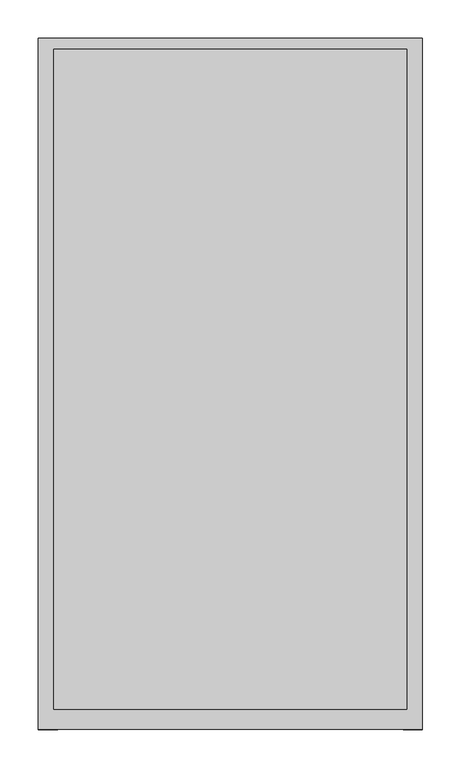
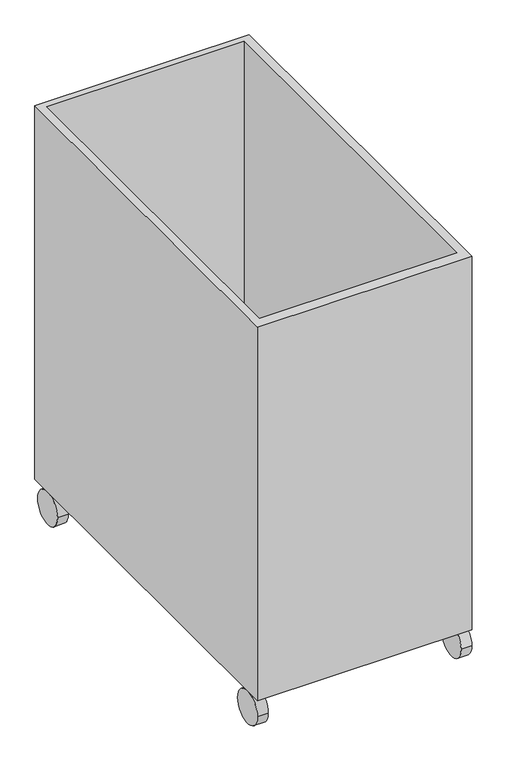
"""IFC4 building model written with IfcOpenShell, lengths in millimetres: proxy geometry."""

import ifcopenshell
import ifcopenshell.guid

model = None  # the IFC model being written
_history = None  # IfcOwnerHistory: only IFC2X3 demands one
_inside = {}  # id of a spatial element -> (the spatial element, [elements in it])
_under = {}  # id of a project, library or spatial element -> (it, [spatial elements below it])
_declared = {}  # id of a project -> (the project, [libraries it declares])
_typed = {}  # id of a type object -> (the type object, [elements of that type])
_made_of = {}  # id of a material, layer set ... -> (it, [elements and type objects made of it])


def new_model(schema):
    """Start an empty IFC model of exactly this schema.

    Asked for "IFC4X3", IfcOpenShell would pick the latest addendum, in which some entities
    have other attributes; the version numbers below select the first issue.
    IFC2X3 requires an IfcOwnerHistory on every rooted entity: one is made here for all.
    """
    global model, _history
    if schema == "IFC4X3":
        model = ifcopenshell.file(schema_version=(4, 3, 0, 0))
    else:
        model = ifcopenshell.file(schema=schema)
    _inside.clear()
    _under.clear()
    _declared.clear()
    _typed.clear()
    _made_of.clear()
    _history = None
    if model.schema == "IFC2X3":
        org = make("IfcOrganization", Name="unknown")
        user = make(
            "IfcPersonAndOrganization",
            ThePerson=make("IfcPerson", FamilyName="unknown"),
            TheOrganization=org,
        )
        app = make(
            "IfcApplication",
            ApplicationDeveloper=org,
            Version="unknown",
            ApplicationFullName="unknown",
            ApplicationIdentifier="unknown",
        )
        _history = make(
            "IfcOwnerHistory",
            OwningUser=user,
            OwningApplication=app,
            ChangeAction="ADDED",
            CreationDate=0,
        )
    return model


def make(cls, **values):
    """One entity of the class cls with the attributes given. An attribute that is None is left unset."""
    return model.create_entity(
        cls, **{name: value for name, value in values.items() if value is not None}
    )


def rooted(cls, **values):
    """An entity with a GlobalId (a new one), such as an element, a storey or a relation."""
    return make(cls, GlobalId=ifcopenshell.guid.new(), OwnerHistory=_history, **values)


def si_unit(unit_type, name, prefix=None):
    """IfcSIUnit, for example si_unit("LENGTHUNIT", "METRE", prefix="MILLI")."""
    return make("IfcSIUnit", UnitType=unit_type, Prefix=prefix, Name=name)


def assignment(units):
    """IfcUnitAssignment: the units of a project."""
    return None if units is None else make("IfcUnitAssignment", Units=units)


def point(xyz):
    """IfcCartesianPoint."""
    return None if xyz is None else make("IfcCartesianPoint", Coordinates=xyz)


def direction(xyz):
    """IfcDirection."""
    return None if xyz is None else make("IfcDirection", DirectionRatios=xyz)


def frame(location, z_axis=None, x_axis=None):
    """IfcAxis2Placement3D, a coordinate frame: its origin and axes. An axis left out is left unset."""
    return make(
        "IfcAxis2Placement3D",
        Location=point(location),
        Axis=direction(z_axis),
        RefDirection=direction(x_axis),
    )


def frame_2d(location, x_axis=None):
    """IfcAxis2Placement2D, a coordinate frame in the plane: its origin and x axis."""
    return make(
        "IfcAxis2Placement2D", Location=point(location), RefDirection=direction(x_axis)
    )


def origin():
    """The frame at (0, 0, 0) with its axes left unset."""
    return frame((0.0, 0.0, 0.0))


def place(relative_to, where):
    """IfcLocalPlacement: puts the frame where relative to a parent placement (None: the world)."""
    return make(
        "IfcLocalPlacement", PlacementRelTo=relative_to, RelativePlacement=where
    )


def context(
    kind, dimensions, precision=None, world=None, true_north=None, identifier=None
):
    """IfcGeometricRepresentationContext, for example the 3D "Model" context."""
    return make(
        "IfcGeometricRepresentationContext",
        ContextIdentifier=identifier,
        ContextType=kind,
        CoordinateSpaceDimension=dimensions,
        Precision=precision,
        WorldCoordinateSystem=world,
        TrueNorth=true_north,
    )


def project(units=None, contexts=None):
    """IfcProject with its units and contexts."""
    return rooted(
        "IfcProject",
        Name="project",
        RepresentationContexts=contexts,
        UnitsInContext=assignment(units),
    )


def spatial(cls, under=None, at=None, **own):
    """A site, building, storey or space (cls), placed at a placement, below another one or the project."""
    s = rooted(cls, ObjectPlacement=at, **own)
    if under is not None:
        _under.setdefault(under.id(), (under, []))[1].append(s)
    return s


def circle_curve(where, radius):
    """IfcCircle in the frame where."""
    return make("IfcCircle", Position=where, Radius=radius)


def trimmed(basis, trim1, trim2, sense, master):
    """IfcTrimmedCurve: the piece of a basis curve between two trims."""
    return make(
        "IfcTrimmedCurve",
        BasisCurve=basis,
        Trim1=trim1,
        Trim2=trim2,
        SenseAgreement=sense,
        MasterRepresentation=master,
    )


def segment(curve, same_sense, transition):
    """IfcCompositeCurveSegment."""
    return make(
        "IfcCompositeCurveSegment",
        Transition=transition,
        SameSense=same_sense,
        ParentCurve=curve,
    )


def composite_curve(segments, self_intersect=None):
    """IfcCompositeCurve: segments joined end to end."""
    return make("IfcCompositeCurve", Segments=segments, SelfIntersect=self_intersect)


def outline(outer, holes=None, kind="AREA"):
    """IfcArbitraryClosedProfileDef: a profile drawn as a closed curve; with holes, ...WithVoids."""
    if holes is None:
        return make("IfcArbitraryClosedProfileDef", ProfileType=kind, OuterCurve=outer)
    return make(
        "IfcArbitraryProfileDefWithVoids",
        ProfileType=kind,
        OuterCurve=outer,
        InnerCurves=holes,
    )


def extrude(swept, where, along, depth):
    """IfcExtrudedAreaSolid: the profile swept, set in the frame where, extruded along a direction by depth."""
    return make(
        "IfcExtrudedAreaSolid",
        SweptArea=swept,
        Position=where,
        ExtrudedDirection=direction(along),
        Depth=depth,
    )


def faces_of(points, faces, orient=None, outer=None):
    """IfcFace entities. A face is a list of loops; a loop is a list of indices into points, from 0.

    orient and outer hold one flag for each loop. By default every Orientation is true, the
    first loop of a face is its IfcFaceOuterBound and the others are IfcFaceBound.
    """
    made = []
    for i, loops in enumerate(faces):
        bounds = []
        for j, loop in enumerate(loops):
            is_outer = j == 0 if outer is None else outer[i][j]
            bounds.append(
                make(
                    "IfcFaceOuterBound" if is_outer else "IfcFaceBound",
                    Bound=make("IfcPolyLoop", Polygon=[points[k] for k in loop]),
                    Orientation=True if orient is None else orient[i][j],
                )
            )
        made.append(make("IfcFace", Bounds=bounds))
    return made


def faceted_brep(points, faces, orient=None, outer=None, voids=None):
    """IfcFacetedBrep: a solid bounded by flat faces; with voids (closed shells), ...WithVoids."""
    shared = [point(p) for p in points]
    hull = make("IfcClosedShell", CfsFaces=faces_of(shared, faces, orient, outer))
    if voids is None:
        return make("IfcFacetedBrep", Outer=hull)
    return make(
        "IfcFacetedBrepWithVoids",
        Outer=hull,
        Voids=[
            make(cls, CfsFaces=faces_of(shared, fs, o, b)) for cls, fs, o, b in voids
        ],
    )


def shape(context_of_items, identifier, shape_type, items):
    """IfcShapeRepresentation: the items that make up one representation, for example the "Body"."""
    return make(
        "IfcShapeRepresentation",
        ContextOfItems=context_of_items,
        RepresentationIdentifier=identifier,
        RepresentationType=shape_type,
        Items=items,
    )


def source(mapping_origin, context_of_items, identifier, shape_type, items):
    """IfcRepresentationMap: a shape defined once, which mapped items show again and again."""
    return make(
        "IfcRepresentationMap",
        MappingOrigin=mapping_origin,
        MappedRepresentation=shape(context_of_items, identifier, shape_type, items),
    )


def transform(
    local_origin,
    x_axis=None,
    y_axis=None,
    z_axis=None,
    scale=None,
    scale2=None,
    scale3=None,
    uniform=True,
):
    """IfcCartesianTransformationOperator3D, or its non-uniform kind. x_axis, y_axis, z_axis: its Axis1, 2, 3."""
    if uniform:
        return make(
            "IfcCartesianTransformationOperator3D",
            Axis1=direction(x_axis),
            Axis2=direction(y_axis),
            LocalOrigin=point(local_origin),
            Scale=scale,
            Axis3=direction(z_axis),
        )
    return make(
        "IfcCartesianTransformationOperator3DnonUniform",
        Axis1=direction(x_axis),
        Axis2=direction(y_axis),
        LocalOrigin=point(local_origin),
        Scale=scale,
        Axis3=direction(z_axis),
        Scale2=scale2,
        Scale3=scale3,
    )


def mapped(mapping_source, mapping_target):
    """IfcMappedItem: shows the shape of a source again, moved by a transform."""
    return make(
        "IfcMappedItem", MappingSource=mapping_source, MappingTarget=mapping_target
    )


def made_of(thing, what):
    """Note that an element or type object is made of a material, layer set ...; save() writes the relation."""
    if what is not None:
        _made_of.setdefault(what.id(), (what, []))[1].append(thing)
    return thing


def element(
    cls,
    number,
    at=None,
    inside=None,
    cuts=None,
    type_object=None,
    material=None,
    context=None,
    identifier="Body",
    shape_type=None,
    held_by="IfcProductDefinitionShape",
    body=None,
    shapes=None,
    **own,
):
    """One element of the class cls, such as IfcWall. Its Tag is "e" and its number.

    at: its placement. inside: the storey or other place that contains it. cuts: it is an
    opening in that element (IfcRelVoidsElement). A single representation is given by context,
    identifier, shape_type and body (its items); several are given by shapes. held_by: the class
    of the entity that holds the representations. save() writes the other relations.
    """
    e = rooted(cls, Tag="e%d" % number, ObjectPlacement=at, **own)
    if body is not None:
        shapes = [shape(context, identifier, shape_type, body)]
    if shapes is not None:
        e.Representation = make(held_by, Representations=shapes)
    if inside is not None:
        _inside.setdefault(inside.id(), (inside, []))[1].append(e)
    if cuts is not None:
        rooted(
            "IfcRelVoidsElement", RelatingBuildingElement=cuts, RelatedOpeningElement=e
        )
    if type_object is not None:
        _typed.setdefault(type_object.id(), (type_object, []))[1].append(e)
    return made_of(e, material)


def aggregate(whole, parts):
    """IfcRelAggregates: a whole, such as a stair, and the parts it consists of."""
    return rooted("IfcRelAggregates", RelatingObject=whole, RelatedObjects=parts)


def save(model, path):
    """Write the relations noted so far, then the file.

    IfcRelAggregates (storeys below a building ...), IfcRelContainedInSpatialStructure (elements
    in a storey), IfcRelDefinesByType, IfcRelAssociatesMaterial and IfcRelDeclares: one each for
    every whole, place, type object, material and project.
    """
    for whole, parts in _under.values():
        aggregate(whole, parts)
    for where, things in _inside.values():
        rooted(
            "IfcRelContainedInSpatialStructure",
            RelatedElements=things,
            RelatingStructure=where,
        )
    for kind, things in _typed.values():
        rooted("IfcRelDefinesByType", RelatedObjects=things, RelatingType=kind)
    for what, things in _made_of.values():
        rooted("IfcRelAssociatesMaterial", RelatedObjects=things, RelatingMaterial=what)
    for by, libraries in _declared.values():
        rooted("IfcRelDeclares", RelatingContext=by, RelatedDefinitions=libraries)
    model.write(path)


def specialty_equipment_c45f6385(model_context):
    return source(origin(), model_context, "Body", "SolidModel", [
        faceted_brep([(249.6560934, 453.9899214, 1000.0), (-250.3439066, 453.9899214, 1000.0), (-250.3439066, -446.0100786, 1000.0), (249.6560934, -446.0100786, 1000.0), (-230.3439066, 440.0586477, 1000.0), (229.6560934, 440.0586477, 1000.0), (229.6560934, -419.9413523, 1000.0), (-230.3439066, -419.9413523, 1000.0), (249.6560934, 453.9899214, 80.0), (249.6560934, -446.0100786, 80.0), (-250.3439066, -446.0100786, 80.0), (-250.3439066, 453.9899214, 80.0), (229.6560934, 440.0586477, 95.6880709), (-230.3439066, 440.0586477, 95.6880709), (-230.3439066, -419.9413523, 95.6880709), (229.6560934, -419.9413523, 95.6880709)], [[[0, 1, 2, 3], [4, 5, 6, 7]], [[8, 9, 10, 11]], [[1, 0, 8, 11]], [[2, 1, 11, 10]], [[3, 2, 10, 9]], [[0, 3, 9, 8]], [[12, 13, 14, 15]], [[13, 12, 5, 4]], [[14, 13, 4, 7]], [[15, 14, 7, 6]], [[12, 15, 6, 5]]]),
        extrude(outline(composite_curve([segment(trimmed(circle_curve(frame_2d((-406.0100786, 40.0)), 40.0), [point((-446.0100786, 40.0))], [point((-366.0100786, 40.0))], False, "CARTESIAN"), True, "CONTINUOUS"), segment(trimmed(circle_curve(frame_2d((-406.0100786, 40.0)), 40.0), [point((-366.0100786, 40.0))], [point((-446.0100786, 40.0))], False, "CARTESIAN"), True, "CONTINUOUS")], self_intersect=False)), frame((-250.3439066, 0.0, 0.0), z_axis=(1.0, 0.0, 0.0), x_axis=(0.0, 1.0, 0.0)), (0.0, 0.0, 1.0), 24.9110593),
        extrude(outline(composite_curve([segment(trimmed(circle_curve(frame_2d((402.6544042, 40.0)), 40.0), [point((362.6544042, 40.0))], [point((442.6544042, 40.0))], False, "CARTESIAN"), True, "CONTINUOUS"), segment(trimmed(circle_curve(frame_2d((402.6544042, 40.0)), 40.0), [point((442.6544042, 40.0))], [point((362.6544042, 40.0))], False, "CARTESIAN"), True, "CONTINUOUS")], self_intersect=False)), frame((-250.3439066, 0.0, 0.0), z_axis=(1.0, 0.0, 0.0), x_axis=(0.0, 1.0, 0.0)), (0.0, 0.0, 1.0), 24.9110593),
        extrude(outline(composite_curve([segment(trimmed(circle_curve(frame_2d((-406.0100786, 40.0)), 40.0), [point((-446.0100786, 40.0))], [point((-366.0100786, 40.0))], False, "CARTESIAN"), True, "CONTINUOUS"), segment(trimmed(circle_curve(frame_2d((-406.0100786, 40.0)), 40.0), [point((-366.0100786, 40.0))], [point((-446.0100786, 40.0))], False, "CARTESIAN"), True, "CONTINUOUS")], self_intersect=False)), frame((224.7450341, 0.0, 0.0), z_axis=(1.0, 0.0, 0.0), x_axis=(0.0, 1.0, 0.0)), (0.0, 0.0, 1.0), 24.9110593),
        extrude(outline(composite_curve([segment(trimmed(circle_curve(frame_2d((402.6544042, 40.0)), 40.0), [point((362.6544042, 40.0))], [point((442.6544042, 40.0))], False, "CARTESIAN"), True, "CONTINUOUS"), segment(trimmed(circle_curve(frame_2d((402.6544042, 40.0)), 40.0), [point((442.6544042, 40.0))], [point((362.6544042, 40.0))], False, "CARTESIAN"), True, "CONTINUOUS")], self_intersect=False)), frame((224.7450341, 0.0, 0.0), z_axis=(1.0, 0.0, 0.0), x_axis=(0.0, 1.0, 0.0)), (0.0, 0.0, 1.0), 24.9110593),
    ])


if __name__ == "__main__":
    model = new_model("IFC4")
    model_context = context("Model", 3, world=origin())
    ifc_project = project(units=[si_unit("LENGTHUNIT", "METRE", prefix="MILLI")], contexts=[model_context])
    site = spatial("IfcSite", under=ifc_project)
    building = spatial("IfcBuilding", under=site)
    placement = place(None, origin())
    specialty_equipment_shape = specialty_equipment_c45f6385(model_context)
    element("IfcBuildingElementProxy", 1, Name="Specialty Equipment", at=placement, inside=building, context=model_context, shape_type="MappedRepresentation", body=[
        mapped(specialty_equipment_shape, transform((0.0, 0.0, 0.0), x_axis=(1.0, 0.0, 0.0), y_axis=(0.0, 1.0, 0.0), z_axis=(0.0, 0.0, 1.0))),
    ])
    save(model, "model.ifc")
